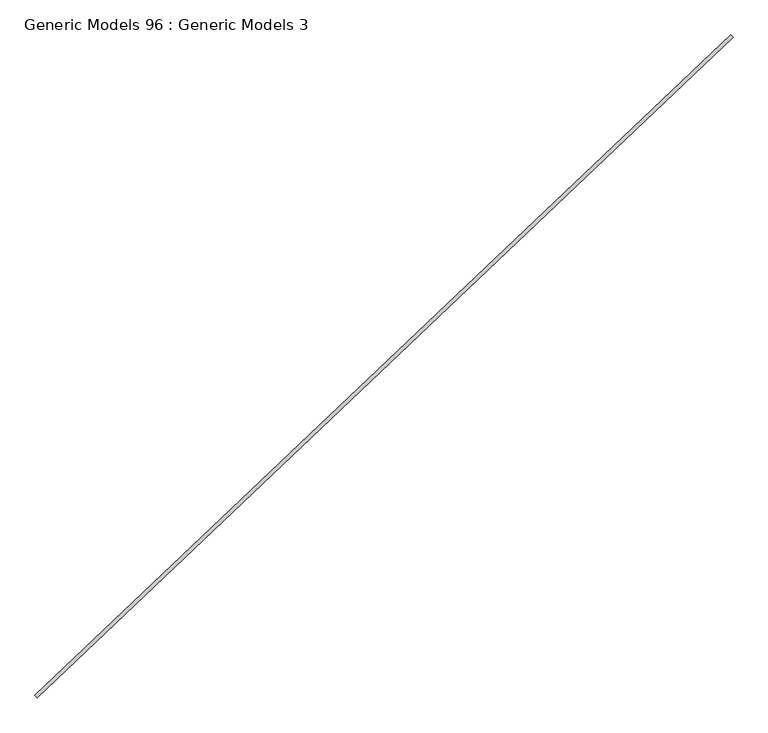
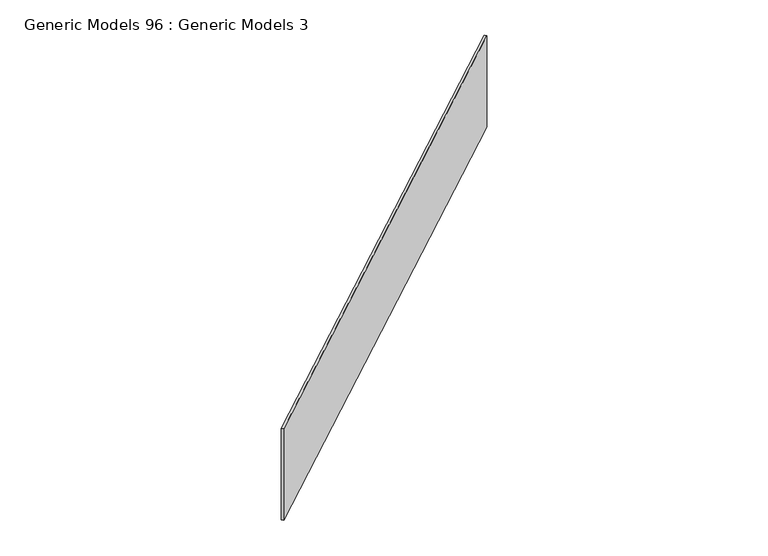
"""IFC4 building model written with IfcOpenShell, lengths in millimetres: proxy geometry, Generic Models 96 : Generic Models 3."""

import ifcopenshell
import ifcopenshell.guid

model = None  # the IFC model being written
_history = None  # IfcOwnerHistory: only IFC2X3 demands one
_inside = {}  # id of a spatial element -> (the spatial element, [elements in it])
_under = {}  # id of a project, library or spatial element -> (it, [spatial elements below it])
_declared = {}  # id of a project -> (the project, [libraries it declares])
_typed = {}  # id of a type object -> (the type object, [elements of that type])
_made_of = {}  # id of a material, layer set ... -> (it, [elements and type objects made of it])


def new_model(schema):
    """Start an empty IFC model of exactly this schema.

    Asked for "IFC4X3", IfcOpenShell would pick the latest addendum, in which some entities
    have other attributes; the version numbers below select the first issue.
    IFC2X3 requires an IfcOwnerHistory on every rooted entity: one is made here for all.
    """
    global model, _history
    if schema == "IFC4X3":
        model = ifcopenshell.file(schema_version=(4, 3, 0, 0))
    else:
        model = ifcopenshell.file(schema=schema)
    _inside.clear()
    _under.clear()
    _declared.clear()
    _typed.clear()
    _made_of.clear()
    _history = None
    if model.schema == "IFC2X3":
        org = make("IfcOrganization", Name="unknown")
        user = make(
            "IfcPersonAndOrganization",
            ThePerson=make("IfcPerson", FamilyName="unknown"),
            TheOrganization=org,
        )
        app = make(
            "IfcApplication",
            ApplicationDeveloper=org,
            Version="unknown",
            ApplicationFullName="unknown",
            ApplicationIdentifier="unknown",
        )
        _history = make(
            "IfcOwnerHistory",
            OwningUser=user,
            OwningApplication=app,
            ChangeAction="ADDED",
            CreationDate=0,
        )
    return model


def make(cls, **values):
    """One entity of the class cls with the attributes given. An attribute that is None is left unset."""
    return model.create_entity(
        cls, **{name: value for name, value in values.items() if value is not None}
    )


def rooted(cls, **values):
    """An entity with a GlobalId (a new one), such as an element, a storey or a relation."""
    return make(cls, GlobalId=ifcopenshell.guid.new(), OwnerHistory=_history, **values)


def si_unit(unit_type, name, prefix=None):
    """IfcSIUnit, for example si_unit("LENGTHUNIT", "METRE", prefix="MILLI")."""
    return make("IfcSIUnit", UnitType=unit_type, Prefix=prefix, Name=name)


def assignment(units):
    """IfcUnitAssignment: the units of a project."""
    return None if units is None else make("IfcUnitAssignment", Units=units)


def point(xyz):
    """IfcCartesianPoint."""
    return None if xyz is None else make("IfcCartesianPoint", Coordinates=xyz)


def direction(xyz):
    """IfcDirection."""
    return None if xyz is None else make("IfcDirection", DirectionRatios=xyz)


def frame(location, z_axis=None, x_axis=None):
    """IfcAxis2Placement3D, a coordinate frame: its origin and axes. An axis left out is left unset."""
    return make(
        "IfcAxis2Placement3D",
        Location=point(location),
        Axis=direction(z_axis),
        RefDirection=direction(x_axis),
    )


def origin():
    """The frame at (0, 0, 0) with its axes left unset."""
    return frame((0.0, 0.0, 0.0))


def place(relative_to, where):
    """IfcLocalPlacement: puts the frame where relative to a parent placement (None: the world)."""
    return make(
        "IfcLocalPlacement", PlacementRelTo=relative_to, RelativePlacement=where
    )


def context(
    kind, dimensions, precision=None, world=None, true_north=None, identifier=None
):
    """IfcGeometricRepresentationContext, for example the 3D "Model" context."""
    return make(
        "IfcGeometricRepresentationContext",
        ContextIdentifier=identifier,
        ContextType=kind,
        CoordinateSpaceDimension=dimensions,
        Precision=precision,
        WorldCoordinateSystem=world,
        TrueNorth=true_north,
    )


def project(units=None, contexts=None):
    """IfcProject with its units and contexts."""
    return rooted(
        "IfcProject",
        Name="project",
        RepresentationContexts=contexts,
        UnitsInContext=assignment(units),
    )


def spatial(cls, under=None, at=None, **own):
    """A site, building, storey or space (cls), placed at a placement, below another one or the project."""
    s = rooted(cls, ObjectPlacement=at, **own)
    if under is not None:
        _under.setdefault(under.id(), (under, []))[1].append(s)
    return s


def polyline(points):
    """IfcPolyline through the points."""
    return make("IfcPolyline", Points=[point(p) for p in points])


def outline(outer, holes=None, kind="AREA"):
    """IfcArbitraryClosedProfileDef: a profile drawn as a closed curve; with holes, ...WithVoids."""
    if holes is None:
        return make("IfcArbitraryClosedProfileDef", ProfileType=kind, OuterCurve=outer)
    return make(
        "IfcArbitraryProfileDefWithVoids",
        ProfileType=kind,
        OuterCurve=outer,
        InnerCurves=holes,
    )


def extrude(swept, where, along, depth):
    """IfcExtrudedAreaSolid: the profile swept, set in the frame where, extruded along a direction by depth."""
    return make(
        "IfcExtrudedAreaSolid",
        SweptArea=swept,
        Position=where,
        ExtrudedDirection=direction(along),
        Depth=depth,
    )


def shape(context_of_items, identifier, shape_type, items):
    """IfcShapeRepresentation: the items that make up one representation, for example the "Body"."""
    return make(
        "IfcShapeRepresentation",
        ContextOfItems=context_of_items,
        RepresentationIdentifier=identifier,
        RepresentationType=shape_type,
        Items=items,
    )


def source(mapping_origin, context_of_items, identifier, shape_type, items):
    """IfcRepresentationMap: a shape defined once, which mapped items show again and again."""
    return make(
        "IfcRepresentationMap",
        MappingOrigin=mapping_origin,
        MappedRepresentation=shape(context_of_items, identifier, shape_type, items),
    )


def transform(
    local_origin,
    x_axis=None,
    y_axis=None,
    z_axis=None,
    scale=None,
    scale2=None,
    scale3=None,
    uniform=True,
):
    """IfcCartesianTransformationOperator3D, or its non-uniform kind. x_axis, y_axis, z_axis: its Axis1, 2, 3."""
    if uniform:
        return make(
            "IfcCartesianTransformationOperator3D",
            Axis1=direction(x_axis),
            Axis2=direction(y_axis),
            LocalOrigin=point(local_origin),
            Scale=scale,
            Axis3=direction(z_axis),
        )
    return make(
        "IfcCartesianTransformationOperator3DnonUniform",
        Axis1=direction(x_axis),
        Axis2=direction(y_axis),
        LocalOrigin=point(local_origin),
        Scale=scale,
        Axis3=direction(z_axis),
        Scale2=scale2,
        Scale3=scale3,
    )


def mapped(mapping_source, mapping_target):
    """IfcMappedItem: shows the shape of a source again, moved by a transform."""
    return make(
        "IfcMappedItem", MappingSource=mapping_source, MappingTarget=mapping_target
    )


def made_of(thing, what):
    """Note that an element or type object is made of a material, layer set ...; save() writes the relation."""
    if what is not None:
        _made_of.setdefault(what.id(), (what, []))[1].append(thing)
    return thing


def element(
    cls,
    number,
    at=None,
    inside=None,
    cuts=None,
    type_object=None,
    material=None,
    context=None,
    identifier="Body",
    shape_type=None,
    held_by="IfcProductDefinitionShape",
    body=None,
    shapes=None,
    **own,
):
    """One element of the class cls, such as IfcWall. Its Tag is "e" and its number.

    at: its placement. inside: the storey or other place that contains it. cuts: it is an
    opening in that element (IfcRelVoidsElement). A single representation is given by context,
    identifier, shape_type and body (its items); several are given by shapes. held_by: the class
    of the entity that holds the representations. save() writes the other relations.
    """
    e = rooted(cls, Tag="e%d" % number, ObjectPlacement=at, **own)
    if body is not None:
        shapes = [shape(context, identifier, shape_type, body)]
    if shapes is not None:
        e.Representation = make(held_by, Representations=shapes)
    if inside is not None:
        _inside.setdefault(inside.id(), (inside, []))[1].append(e)
    if cuts is not None:
        rooted(
            "IfcRelVoidsElement", RelatingBuildingElement=cuts, RelatedOpeningElement=e
        )
    if type_object is not None:
        _typed.setdefault(type_object.id(), (type_object, []))[1].append(e)
    return made_of(e, material)


def aggregate(whole, parts):
    """IfcRelAggregates: a whole, such as a stair, and the parts it consists of."""
    return rooted("IfcRelAggregates", RelatingObject=whole, RelatedObjects=parts)


def save(model, path):
    """Write the relations noted so far, then the file.

    IfcRelAggregates (storeys below a building ...), IfcRelContainedInSpatialStructure (elements
    in a storey), IfcRelDefinesByType, IfcRelAssociatesMaterial and IfcRelDeclares: one each for
    every whole, place, type object, material and project.
    """
    for whole, parts in _under.values():
        aggregate(whole, parts)
    for where, things in _inside.values():
        rooted(
            "IfcRelContainedInSpatialStructure",
            RelatedElements=things,
            RelatingStructure=where,
        )
    for kind, things in _typed.values():
        rooted("IfcRelDefinesByType", RelatedObjects=things, RelatingType=kind)
    for what, things in _made_of.values():
        rooted("IfcRelAssociatesMaterial", RelatedObjects=things, RelatingMaterial=what)
    for by, libraries in _declared.values():
        rooted("IfcRelDeclares", RelatingContext=by, RelatedDefinitions=libraries)
    model.write(path)


def generic_models_96_generic_models_3_52cc208c(model_context):
    return source(origin(), model_context, "Body", "SweptSolid", [
        extrude(outline(polyline([(105185.5644962, 45768.761977), (105196.4921251, 45757.2466588), (101910.020328, 42638.5013739), (101899.0926991, 42650.016692), (105185.5644962, 45768.761977)])), frame((0.0, 0.0, 17118.33), z_axis=(0.0, 0.0, 1.0), x_axis=(1.0, 0.0, 0.0)), (0.0, 0.0, 1.0), 706.1073857),
    ])


if __name__ == "__main__":
    model = new_model("IFC4")
    model_context = context("Model", 3, world=origin())
    ifc_project = project(units=[si_unit("LENGTHUNIT", "METRE", prefix="MILLI")], contexts=[model_context])
    site = spatial("IfcSite", under=ifc_project)
    building = spatial("IfcBuilding", under=site)
    placement = place(None, origin())
    generic_models_96_generic_models_3_shape = generic_models_96_generic_models_3_52cc208c(model_context)
    element("IfcBuildingElementProxy", 1, Name="Generic Models 96 : Generic Models 3", ObjectType="Generic Models 96 : Generic Models 3", at=placement, inside=building, context=model_context, shape_type="MappedRepresentation", body=[
        mapped(generic_models_96_generic_models_3_shape, transform((0.0, 0.0, 0.0), x_axis=(1.0, 0.0, 0.0), y_axis=(0.0, 1.0, 0.0), z_axis=(0.0, 0.0, 1.0))),
    ])
    save(model, "model.ifc")
